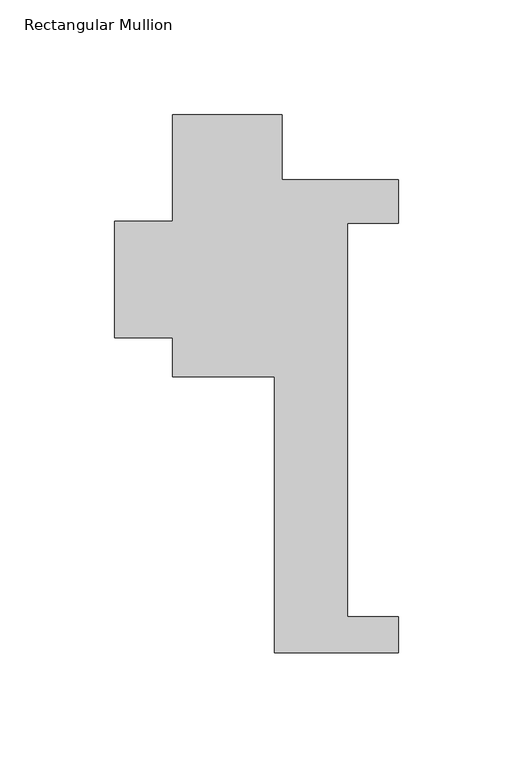
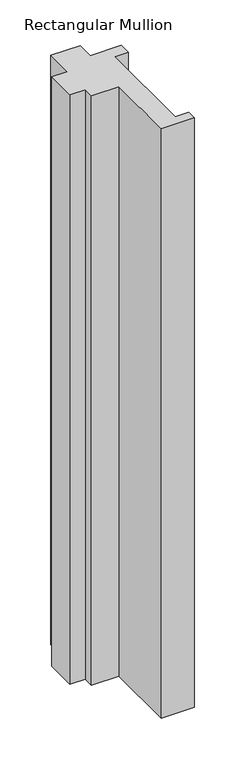
"""IFC4 building model written with IfcOpenShell, lengths in millimetres: member geometry, Rectangular Mullion."""

import ifcopenshell
import ifcopenshell.guid

model = None  # the IFC model being written
_history = None  # IfcOwnerHistory: only IFC2X3 demands one
_inside = {}  # id of a spatial element -> (the spatial element, [elements in it])
_under = {}  # id of a project, library or spatial element -> (it, [spatial elements below it])
_declared = {}  # id of a project -> (the project, [libraries it declares])
_typed = {}  # id of a type object -> (the type object, [elements of that type])
_made_of = {}  # id of a material, layer set ... -> (it, [elements and type objects made of it])


def new_model(schema):
    """Start an empty IFC model of exactly this schema.

    Asked for "IFC4X3", IfcOpenShell would pick the latest addendum, in which some entities
    have other attributes; the version numbers below select the first issue.
    IFC2X3 requires an IfcOwnerHistory on every rooted entity: one is made here for all.
    """
    global model, _history
    if schema == "IFC4X3":
        model = ifcopenshell.file(schema_version=(4, 3, 0, 0))
    else:
        model = ifcopenshell.file(schema=schema)
    _inside.clear()
    _under.clear()
    _declared.clear()
    _typed.clear()
    _made_of.clear()
    _history = None
    if model.schema == "IFC2X3":
        org = make("IfcOrganization", Name="unknown")
        user = make(
            "IfcPersonAndOrganization",
            ThePerson=make("IfcPerson", FamilyName="unknown"),
            TheOrganization=org,
        )
        app = make(
            "IfcApplication",
            ApplicationDeveloper=org,
            Version="unknown",
            ApplicationFullName="unknown",
            ApplicationIdentifier="unknown",
        )
        _history = make(
            "IfcOwnerHistory",
            OwningUser=user,
            OwningApplication=app,
            ChangeAction="ADDED",
            CreationDate=0,
        )
    return model


def make(cls, **values):
    """One entity of the class cls with the attributes given. An attribute that is None is left unset."""
    return model.create_entity(
        cls, **{name: value for name, value in values.items() if value is not None}
    )


def rooted(cls, **values):
    """An entity with a GlobalId (a new one), such as an element, a storey or a relation."""
    return make(cls, GlobalId=ifcopenshell.guid.new(), OwnerHistory=_history, **values)


def si_unit(unit_type, name, prefix=None):
    """IfcSIUnit, for example si_unit("LENGTHUNIT", "METRE", prefix="MILLI")."""
    return make("IfcSIUnit", UnitType=unit_type, Prefix=prefix, Name=name)


def assignment(units):
    """IfcUnitAssignment: the units of a project."""
    return None if units is None else make("IfcUnitAssignment", Units=units)


def point(xyz):
    """IfcCartesianPoint."""
    return None if xyz is None else make("IfcCartesianPoint", Coordinates=xyz)


def direction(xyz):
    """IfcDirection."""
    return None if xyz is None else make("IfcDirection", DirectionRatios=xyz)


def frame(location, z_axis=None, x_axis=None):
    """IfcAxis2Placement3D, a coordinate frame: its origin and axes. An axis left out is left unset."""
    return make(
        "IfcAxis2Placement3D",
        Location=point(location),
        Axis=direction(z_axis),
        RefDirection=direction(x_axis),
    )


def origin():
    """The frame at (0, 0, 0) with its axes left unset."""
    return frame((0.0, 0.0, 0.0))


def place(relative_to, where):
    """IfcLocalPlacement: puts the frame where relative to a parent placement (None: the world)."""
    return make(
        "IfcLocalPlacement", PlacementRelTo=relative_to, RelativePlacement=where
    )


def context(
    kind, dimensions, precision=None, world=None, true_north=None, identifier=None
):
    """IfcGeometricRepresentationContext, for example the 3D "Model" context."""
    return make(
        "IfcGeometricRepresentationContext",
        ContextIdentifier=identifier,
        ContextType=kind,
        CoordinateSpaceDimension=dimensions,
        Precision=precision,
        WorldCoordinateSystem=world,
        TrueNorth=true_north,
    )


def project(units=None, contexts=None):
    """IfcProject with its units and contexts."""
    return rooted(
        "IfcProject",
        Name="project",
        RepresentationContexts=contexts,
        UnitsInContext=assignment(units),
    )


def spatial(cls, under=None, at=None, **own):
    """A site, building, storey or space (cls), placed at a placement, below another one or the project."""
    s = rooted(cls, ObjectPlacement=at, **own)
    if under is not None:
        _under.setdefault(under.id(), (under, []))[1].append(s)
    return s


def polyline(points):
    """IfcPolyline through the points."""
    return make("IfcPolyline", Points=[point(p) for p in points])


def outline(outer, holes=None, kind="AREA"):
    """IfcArbitraryClosedProfileDef: a profile drawn as a closed curve; with holes, ...WithVoids."""
    if holes is None:
        return make("IfcArbitraryClosedProfileDef", ProfileType=kind, OuterCurve=outer)
    return make(
        "IfcArbitraryProfileDefWithVoids",
        ProfileType=kind,
        OuterCurve=outer,
        InnerCurves=holes,
    )


def extrude(swept, where, along, depth):
    """IfcExtrudedAreaSolid: the profile swept, set in the frame where, extruded along a direction by depth."""
    return make(
        "IfcExtrudedAreaSolid",
        SweptArea=swept,
        Position=where,
        ExtrudedDirection=direction(along),
        Depth=depth,
    )


def shape(context_of_items, identifier, shape_type, items):
    """IfcShapeRepresentation: the items that make up one representation, for example the "Body"."""
    return make(
        "IfcShapeRepresentation",
        ContextOfItems=context_of_items,
        RepresentationIdentifier=identifier,
        RepresentationType=shape_type,
        Items=items,
    )


def source(mapping_origin, context_of_items, identifier, shape_type, items):
    """IfcRepresentationMap: a shape defined once, which mapped items show again and again."""
    return make(
        "IfcRepresentationMap",
        MappingOrigin=mapping_origin,
        MappedRepresentation=shape(context_of_items, identifier, shape_type, items),
    )


def transform(
    local_origin,
    x_axis=None,
    y_axis=None,
    z_axis=None,
    scale=None,
    scale2=None,
    scale3=None,
    uniform=True,
):
    """IfcCartesianTransformationOperator3D, or its non-uniform kind. x_axis, y_axis, z_axis: its Axis1, 2, 3."""
    if uniform:
        return make(
            "IfcCartesianTransformationOperator3D",
            Axis1=direction(x_axis),
            Axis2=direction(y_axis),
            LocalOrigin=point(local_origin),
            Scale=scale,
            Axis3=direction(z_axis),
        )
    return make(
        "IfcCartesianTransformationOperator3DnonUniform",
        Axis1=direction(x_axis),
        Axis2=direction(y_axis),
        LocalOrigin=point(local_origin),
        Scale=scale,
        Axis3=direction(z_axis),
        Scale2=scale2,
        Scale3=scale3,
    )


def mapped(mapping_source, mapping_target):
    """IfcMappedItem: shows the shape of a source again, moved by a transform."""
    return make(
        "IfcMappedItem", MappingSource=mapping_source, MappingTarget=mapping_target
    )


def made_of(thing, what):
    """Note that an element or type object is made of a material, layer set ...; save() writes the relation."""
    if what is not None:
        _made_of.setdefault(what.id(), (what, []))[1].append(thing)
    return thing


def element(
    cls,
    number,
    at=None,
    inside=None,
    cuts=None,
    type_object=None,
    material=None,
    context=None,
    identifier="Body",
    shape_type=None,
    held_by="IfcProductDefinitionShape",
    body=None,
    shapes=None,
    **own,
):
    """One element of the class cls, such as IfcWall. Its Tag is "e" and its number.

    at: its placement. inside: the storey or other place that contains it. cuts: it is an
    opening in that element (IfcRelVoidsElement). A single representation is given by context,
    identifier, shape_type and body (its items); several are given by shapes. held_by: the class
    of the entity that holds the representations. save() writes the other relations.
    """
    e = rooted(cls, Tag="e%d" % number, ObjectPlacement=at, **own)
    if body is not None:
        shapes = [shape(context, identifier, shape_type, body)]
    if shapes is not None:
        e.Representation = make(held_by, Representations=shapes)
    if inside is not None:
        _inside.setdefault(inside.id(), (inside, []))[1].append(e)
    if cuts is not None:
        rooted(
            "IfcRelVoidsElement", RelatingBuildingElement=cuts, RelatedOpeningElement=e
        )
    if type_object is not None:
        _typed.setdefault(type_object.id(), (type_object, []))[1].append(e)
    return made_of(e, material)


def aggregate(whole, parts):
    """IfcRelAggregates: a whole, such as a stair, and the parts it consists of."""
    return rooted("IfcRelAggregates", RelatingObject=whole, RelatedObjects=parts)


def save(model, path):
    """Write the relations noted so far, then the file.

    IfcRelAggregates (storeys below a building ...), IfcRelContainedInSpatialStructure (elements
    in a storey), IfcRelDefinesByType, IfcRelAssociatesMaterial and IfcRelDeclares: one each for
    every whole, place, type object, material and project.
    """
    for whole, parts in _under.values():
        aggregate(whole, parts)
    for where, things in _inside.values():
        rooted(
            "IfcRelContainedInSpatialStructure",
            RelatedElements=things,
            RelatingStructure=where,
        )
    for kind, things in _typed.values():
        rooted("IfcRelDefinesByType", RelatedObjects=things, RelatingType=kind)
    for what, things in _made_of.values():
        rooted("IfcRelAssociatesMaterial", RelatedObjects=things, RelatingMaterial=what)
    for by, libraries in _declared.values():
        rooted("IfcRelDeclares", RelatingContext=by, RelatedDefinitions=libraries)
    model.write(path)


def rectangular_mullion_5aa76384(model_context):
    return source(origin(), model_context, "Body", "SweptSolid", [
        extrude(outline(polyline([(-15.875, -221.996), (-15.875, -101.6), (-60.325, -101.6), (-60.325, -84.5460633), (-85.725, -84.5460633), (-85.725, -33.7460633), (-60.325, -33.7460633), (-60.325, 12.7), (-12.7, 12.7), (-12.7, -15.621), (38.1, -15.621), (38.1, -34.671), (15.875, -34.671), (15.875, -206.121), (38.1, -206.121), (38.1, -221.996), (-15.875, -221.996)])), frame((0.0, 0.0, -1016.0), z_axis=(0.0, 0.0, 1.0), x_axis=(1.0, 0.0, 0.0)), (0.0, 0.0, 1.0), 1016.0),
    ])


if __name__ == "__main__":
    model = new_model("IFC4")
    model_context = context("Model", 3, world=origin())
    ifc_project = project(units=[si_unit("LENGTHUNIT", "METRE", prefix="MILLI")], contexts=[model_context])
    site = spatial("IfcSite", under=ifc_project)
    building = spatial("IfcBuilding", under=site)
    placement = place(None, origin())
    rectangular_mullion_shape = rectangular_mullion_5aa76384(model_context)
    element("IfcMember", 1, ObjectType="Rectangular Mullion", at=placement, inside=building, context=model_context, shape_type="MappedRepresentation", body=[
        mapped(rectangular_mullion_shape, transform((0.0, 0.0, 0.0), x_axis=(1.0, 0.0, 0.0), y_axis=(0.0, 1.0, 0.0), z_axis=(0.0, 0.0, 1.0))),
    ])
    save(model, "model.ifc")
